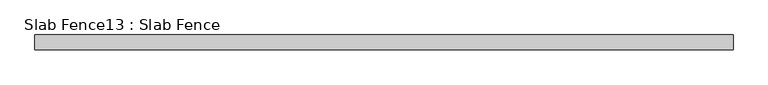
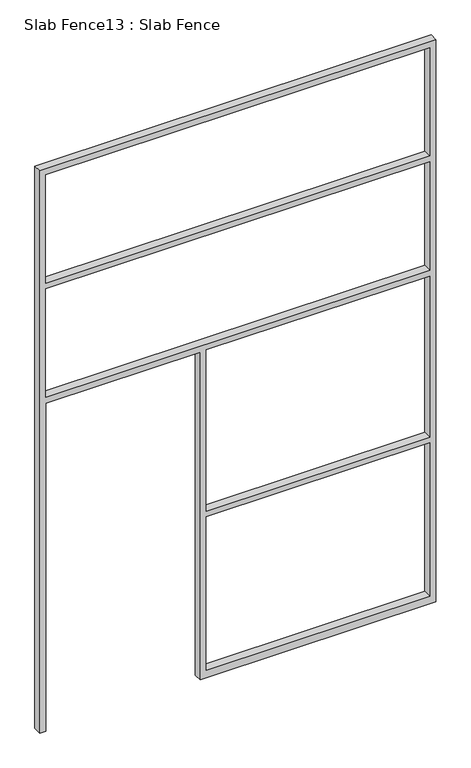
"""IFC4 building model written with IfcOpenShell, lengths in millimetres: proxy geometry, Slab Fence13 : Slab Fence."""

from ifc_helpers import new_model, si_unit, frame, origin, place, context, project, spatial, polyline, outline, extrude, source, transform, mapped, element, save


def slab_fence13_slab_fence_2bac685f(model_context):
    return source(origin(), model_context, "Body", "SweptSolid", [
        extrude(outline(polyline([(3657.6, -8251.8348205), (0.0, -8251.8348205), (0.0, -8213.7348205), (2133.6, -8213.7348205), (2133.6, -7264.4098205), (0.0, -7264.4098205), (0.0, -7226.3098205), (0.0, -5813.4348205), (3657.6, -5813.4348205), (3657.6, -8251.8348205)]), holes=[polyline([(2876.55, -8213.7348205), (2876.55, -5851.5348205), (2171.7, -5851.5348205), (2171.7, -8213.7348205), (2876.55, -8213.7348205)]), polyline([(3619.5, -5851.5348205), (2914.65, -5851.5348205), (2914.65, -8213.7348205), (3619.5, -8213.7348205), (3619.5, -5851.5348205)]), polyline([(1085.85, -7226.3098205), (2133.6, -7226.3098205), (2133.6, -5851.5348205), (1085.85, -5851.5348205), (1085.85, -7226.3098205)]), polyline([(1047.75, -5851.5348205), (50.8, -5851.5348205), (50.8, -7226.3098205), (1047.75, -7226.3098205), (1047.75, -5851.5348205)])]), frame((0.0, -12138.982317, 0.0), z_axis=(0.0, 1.0, 0.0), x_axis=(0.0, 0.0, 1.0)), (0.0, 0.0, 1.0), 52.001598),
    ])


if __name__ == "__main__":
    model = new_model("IFC4")
    model_context = context("Model", 3, world=origin())
    ifc_project = project(units=[si_unit("LENGTHUNIT", "METRE", prefix="MILLI")], contexts=[model_context])
    site = spatial("IfcSite", under=ifc_project)
    building = spatial("IfcBuilding", under=site)
    placement = place(None, origin())
    slab_fence13_slab_fence_shape = slab_fence13_slab_fence_2bac685f(model_context)
    element("IfcBuildingElementProxy", 1, Name="Slab Fence13 : Slab Fence", ObjectType="Slab Fence13 : Slab Fence", at=placement, inside=building, context=model_context, shape_type="MappedRepresentation", body=[
        mapped(slab_fence13_slab_fence_shape, transform((0.0, 0.0, 0.0), x_axis=(1.0, 0.0, 0.0), y_axis=(0.0, 1.0, 0.0), z_axis=(0.0, 0.0, 1.0))),
    ])
    save(model, "model.ifc")
